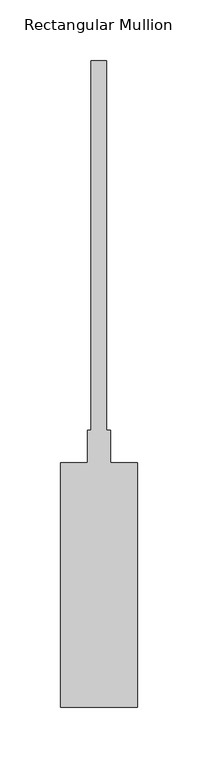
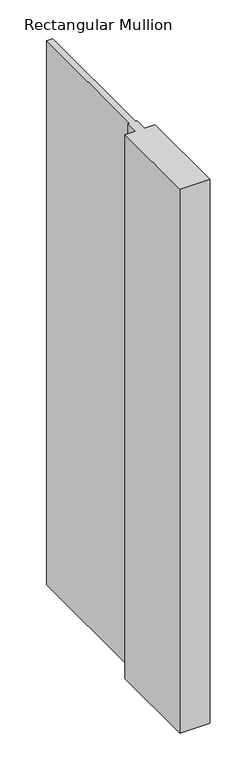
"""IFC4 building model written with IfcOpenShell, lengths in millimetres: member geometry, Rectangular Mullion."""

from ifc_helpers import new_model, si_unit, frame, origin, place, context, project, spatial, polyline, outline, extrude, source, transform, mapped, element, save


def rectangular_mullion_40a1b22a(model_context):
    return source(origin(), model_context, "Body", "SweptSolid", [
        extrude(outline(polyline([(33.2101153, -228.6), (-30.2898847, -228.6), (-30.2898847, -26.9875), (-8.0648847, -26.9875), (-8.0648847, 0.0), (-4.8898847, 0.0), (-4.8898847, 304.8), (7.8101153, 304.8), (7.8101153, 0.0), (10.9851153, 0.0), (10.9851153, -26.9875), (33.2101153, -26.9875), (33.2101153, -228.6)])), frame((0.0, 0.0, -1219.2), z_axis=(0.0, 0.0, 1.0), x_axis=(1.0, 0.0, 0.0)), (0.0, 0.0, 1.0), 1219.2),
    ])


if __name__ == "__main__":
    model = new_model("IFC4")
    model_context = context("Model", 3, world=origin())
    ifc_project = project(units=[si_unit("LENGTHUNIT", "METRE", prefix="MILLI")], contexts=[model_context])
    site = spatial("IfcSite", under=ifc_project)
    building = spatial("IfcBuilding", under=site)
    placement = place(None, origin())
    rectangular_mullion_shape = rectangular_mullion_40a1b22a(model_context)
    element("IfcMember", 1, ObjectType="Rectangular Mullion", at=placement, inside=building, context=model_context, shape_type="MappedRepresentation", body=[
        mapped(rectangular_mullion_shape, transform((0.0, 0.0, 0.0), x_axis=(1.0, 0.0, 0.0), y_axis=(0.0, 1.0, 0.0), z_axis=(0.0, 0.0, 1.0))),
    ])
    save(model, "model.ifc")
